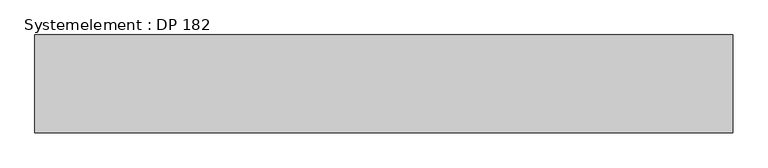
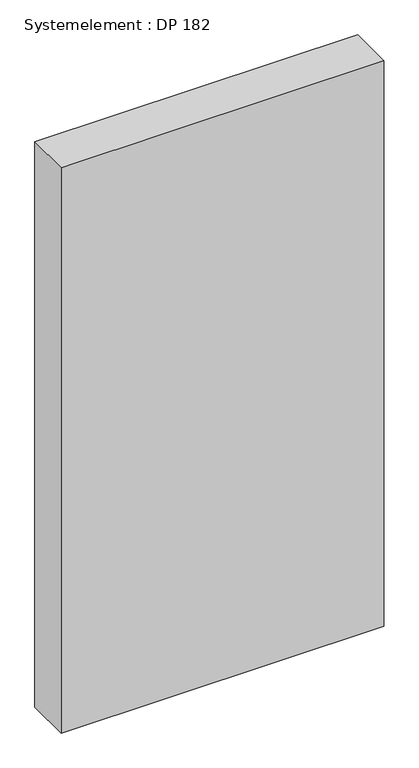
"""IFC4 building model written with IfcOpenShell, lengths in millimetres: plate geometry, Systemelement : DP 182."""

from ifc_helpers import new_model, si_unit, origin, origin_with_axes, place, context, project, spatial, polyline, outline, extrude, source, transform, mapped, element, save


def systemelement_dp_182_44c61cf1(model_context):
    return source(origin(), model_context, "Body", "SweptSolid", [
        extrude(outline(polyline([(500.0, -140.0), (-500.0, -140.0), (-500.0, 0.0), (500.0, 0.0), (500.0, -140.0)])), origin_with_axes(), (0.0, 0.0, 1.0), 1851.6147161),
    ])


if __name__ == "__main__":
    model = new_model("IFC4")
    model_context = context("Model", 3, world=origin())
    ifc_project = project(units=[si_unit("LENGTHUNIT", "METRE", prefix="MILLI")], contexts=[model_context])
    site = spatial("IfcSite", under=ifc_project)
    building = spatial("IfcBuilding", under=site)
    placement = place(None, origin())
    systemelement_dp_182_shape = systemelement_dp_182_44c61cf1(model_context)
    element("IfcPlate", 1, ObjectType="Systemelement : DP 182", at=placement, inside=building, context=model_context, shape_type="MappedRepresentation", body=[
        mapped(systemelement_dp_182_shape, transform((0.0, 0.0, 0.0), x_axis=(1.0, 0.0, 0.0), y_axis=(0.0, 1.0, 0.0), z_axis=(0.0, 0.0, 1.0))),
    ])
    save(model, "model.ifc")
